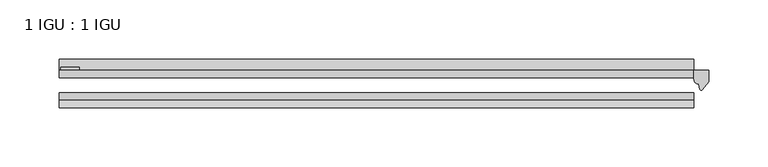
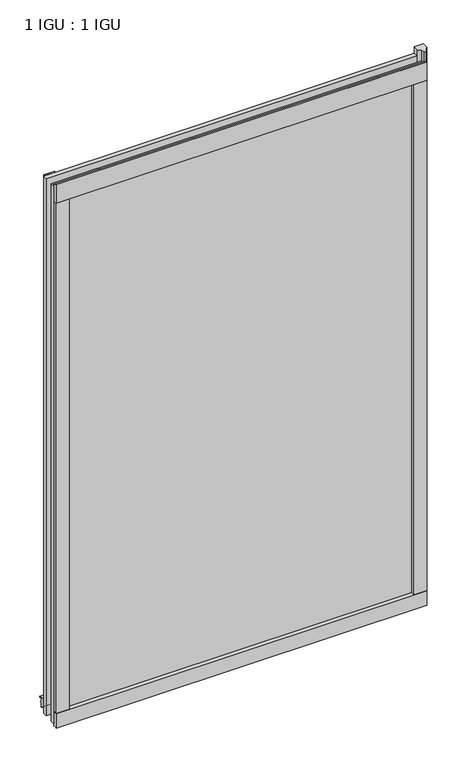
"""IFC4 building model written with IfcOpenShell, lengths in millimetres: plate geometry, 1 IGU : 1 IGU."""

from ifc_helpers import new_model, si_unit, point, frame, frame_2d, origin, place, context, project, spatial, polyline, circle_curve, trimmed, segment, composite_curve, outline, extrude, source, transform, mapped, element, save


def plate_1_igu_1_igu_91f387a5(model_context):
    return source(origin(), model_context, "Body", "SweptSolid", [
        extrude(outline(polyline([(268.605, 0.0021347), (268.605, -6.2992), (-268.605, -6.2992), (-268.605, 0.0021347), (268.605, 0.0021347)])), frame((0.0, 0.0, -19.05), z_axis=(0.0, 0.0, 1.0), x_axis=(1.0, 0.0, 0.0)), (0.0, 0.0, 1.0), 822.3250001),
        extrude(outline(polyline([(-268.605, -19.0986653), (268.605, -19.0986653), (268.605, -25.3978653), (-268.605, -25.3978653), (-268.605, -19.0986653)])), frame((0.0, 0.0, -19.05), z_axis=(0.0, 0.0, 1.0), x_axis=(1.0, 0.0, 0.0)), (0.0, 0.0, 1.0), 822.3250001),
        extrude(outline(composite_curve([segment(polyline([(281.305, 0.0), (281.305, -9.7395025), (275.7387691, -16.3730781)]), True, "CONTINUOUS"), segment(trimmed(circle_curve(frame_2d((274.7850941, -15.7728374)), 1.1268473), [point((275.7387691, -16.3730781))], [point((273.6841412, -16.0130197))], False, "CARTESIAN"), True, "CONTINUOUS"), segment(polyline([(273.6841412, -16.0130197), (272.7039498, -11.7377885)]), True, "CONTINUOUS"), segment(trimmed(circle_curve(frame_2d((272.5764979, -7.7683362)), 3.9714979), [point((272.7039498, -11.7377885))], [point((268.6051786, -7.8060014))], False, "CARTESIAN"), True, "CONTINUOUS"), segment(polyline([(268.6051786, -7.8060014), (268.6051786, 0.0), (281.305, 0.0)]), True, "CONTINUOUS")], self_intersect=False)), frame((0.0, 0.0, -19.05), z_axis=(0.0, 0.0, 1.0), x_axis=(1.0, 0.0, 0.0)), (0.0, 0.0, 1.0), 832.6374001),
        extrude(outline(composite_curve([segment(polyline([(-31.75, 0.0), (-25.4, 0.0), (-25.4, -22.225)]), True, "CONTINUOUS"), segment(trimmed(circle_curve(frame_2d((-28.575, -28.9113452)), 7.4018806), [point((-25.4, -22.225))], [point((-31.75, -22.225))], True, "CARTESIAN"), True, "CONTINUOUS"), segment(polyline([(-31.75, -22.225), (-31.75, 0.0)]), True, "CONTINUOUS")], self_intersect=False)), frame((-268.605, 0.0, 0.0), z_axis=(1.0, 0.0, 0.0), x_axis=(0.0, 1.0, 0.0)), (0.0, 0.0, 1.0), 537.21),
        extrude(outline(composite_curve([segment(trimmed(circle_curve(frame_2d((13.6593785, 32.4202472)), 31.3046461), [point((0.0, 4.2528503))], [point((9.3980339, 1.406995))], True, "CARTESIAN"), True, "CONTINUOUS"), segment(polyline([(9.3980339, 1.406995), (9.3980339, 0.0254), (6.35, 0.0254), (6.35, -5.1625788), (7.7309478, -5.3970663), (6.35, -8.0073788), (6.35, -11.8471127)]), True, "CONTINUOUS"), segment(trimmed(circle_curve(frame_2d((5.334, -11.8471127)), 1.016), [point((6.35, -11.8471127))], [point((4.6284878, -12.5782136))], False, "CARTESIAN"), True, "CONTINUOUS"), segment(trimmed(circle_curve(frame_2d((-23.3689302, -41.5910901)), 40.3187601), [point((4.6284878, -12.5782136))], [point((0.0, -8.735413))], True, "CARTESIAN"), True, "CONTINUOUS"), segment(polyline([(0.0, -8.735413), (0.0, 4.2528503)]), True, "CONTINUOUS")], self_intersect=False)), frame((-268.605, 0.0, 0.0), z_axis=(1.0, 0.0, 0.0), x_axis=(0.0, 1.0, 0.0)), (0.0, 0.0, 1.0), 537.21),
        extrude(outline(composite_curve([segment(polyline([(-25.4, 806.4500001), (-25.4, 781.0500001), (-31.75, 781.0500001), (-31.75, 809.2228974)]), True, "CONTINUOUS"), segment(trimmed(circle_curve(frame_2d((-24.1401272, 817.9924116)), 11.6109665), [point((-31.75, 809.2228974))], [point((-25.4, 806.4500001))], True, "CARTESIAN"), True, "CONTINUOUS")], self_intersect=False)), frame((-268.605, 0.0, 0.0), z_axis=(1.0, 0.0, 0.0), x_axis=(0.0, 1.0, 0.0)), (0.0, 0.0, 1.0), 537.21),
        extrude(outline(composite_curve([segment(polyline([(249.555, -25.4), (268.605, -25.4)]), True, "CONTINUOUS"), segment(trimmed(circle_curve(frame_2d((278.0711507, -28.575)), 9.9844196), [point((268.605, -25.4))], [point((268.605, -31.75))], True, "CARTESIAN"), True, "CONTINUOUS"), segment(polyline([(268.605, -31.75), (249.555, -31.75), (249.555, -25.4)]), True, "CONTINUOUS")], self_intersect=False)), frame((0.0, 0.0, -19.05), z_axis=(0.0, 0.0, 1.0), x_axis=(1.0, 0.0, 0.0)), (0.0, 0.0, 1.0), 822.3250001),
        extrude(outline(composite_curve([segment(trimmed(circle_curve(frame_2d((-278.0711507, -28.575)), 9.9844196), [point((-268.605, -31.75))], [point((-268.605, -25.4))], True, "CARTESIAN"), True, "CONTINUOUS"), segment(polyline([(-268.605, -25.4), (-249.555, -25.4), (-249.555, -31.75), (-268.605, -31.75)]), True, "CONTINUOUS")], self_intersect=False)), frame((0.0, 0.0, -19.05), z_axis=(0.0, 0.0, 1.0), x_axis=(1.0, 0.0, 0.0)), (0.0, 0.0, 1.0), 822.3250001),
        extrude(outline(polyline([(-267.3985, 0.0), (-267.3985, 2.286), (-251.5235, 2.286), (-251.5235, 0.0), (-267.3985, 0.0)])), frame((0.0, 0.0, -19.05), z_axis=(0.0, 0.0, 1.0), x_axis=(1.0, 0.0, 0.0)), (0.0, 0.0, 1.0), 822.3250001),
    ])


if __name__ == "__main__":
    model = new_model("IFC4")
    model_context = context("Model", 3, world=origin())
    ifc_project = project(units=[si_unit("LENGTHUNIT", "METRE", prefix="MILLI")], contexts=[model_context])
    site = spatial("IfcSite", under=ifc_project)
    building = spatial("IfcBuilding", under=site)
    placement = place(None, origin())
    plate_1_igu_1_igu_shape = plate_1_igu_1_igu_91f387a5(model_context)
    element("IfcPlate", 1, ObjectType="1 IGU : 1 IGU", at=placement, inside=building, context=model_context, shape_type="MappedRepresentation", body=[
        mapped(plate_1_igu_1_igu_shape, transform((0.0, 0.0, 0.0), x_axis=(1.0, 0.0, 0.0), y_axis=(0.0, 1.0, 0.0), z_axis=(0.0, 0.0, 1.0))),
    ])
    save(model, "model.ifc")
